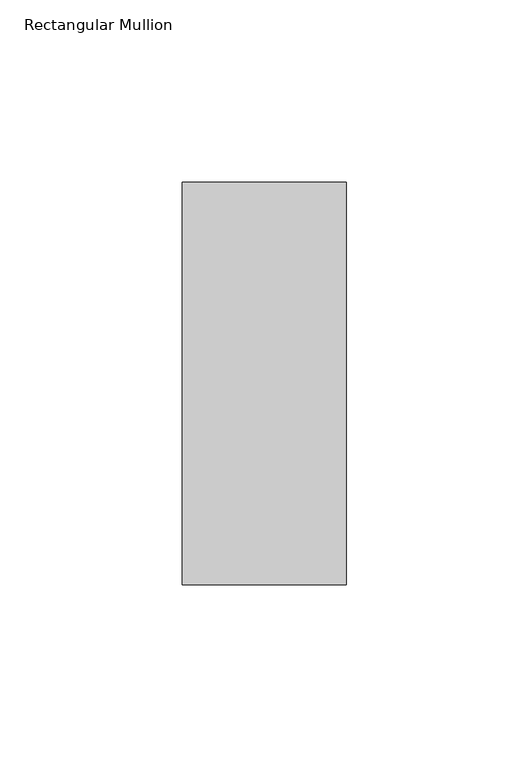
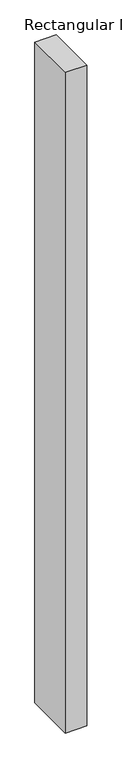
"""IFC4 building model written with IfcOpenShell, lengths in millimetres: member geometry, Rectangular Mullion."""

import ifcopenshell
import ifcopenshell.guid

model = None  # the IFC model being written
_history = None  # IfcOwnerHistory: only IFC2X3 demands one
_inside = {}  # id of a spatial element -> (the spatial element, [elements in it])
_under = {}  # id of a project, library or spatial element -> (it, [spatial elements below it])
_declared = {}  # id of a project -> (the project, [libraries it declares])
_typed = {}  # id of a type object -> (the type object, [elements of that type])
_made_of = {}  # id of a material, layer set ... -> (it, [elements and type objects made of it])


def new_model(schema):
    """Start an empty IFC model of exactly this schema.

    Asked for "IFC4X3", IfcOpenShell would pick the latest addendum, in which some entities
    have other attributes; the version numbers below select the first issue.
    IFC2X3 requires an IfcOwnerHistory on every rooted entity: one is made here for all.
    """
    global model, _history
    if schema == "IFC4X3":
        model = ifcopenshell.file(schema_version=(4, 3, 0, 0))
    else:
        model = ifcopenshell.file(schema=schema)
    _inside.clear()
    _under.clear()
    _declared.clear()
    _typed.clear()
    _made_of.clear()
    _history = None
    if model.schema == "IFC2X3":
        org = make("IfcOrganization", Name="unknown")
        user = make(
            "IfcPersonAndOrganization",
            ThePerson=make("IfcPerson", FamilyName="unknown"),
            TheOrganization=org,
        )
        app = make(
            "IfcApplication",
            ApplicationDeveloper=org,
            Version="unknown",
            ApplicationFullName="unknown",
            ApplicationIdentifier="unknown",
        )
        _history = make(
            "IfcOwnerHistory",
            OwningUser=user,
            OwningApplication=app,
            ChangeAction="ADDED",
            CreationDate=0,
        )
    return model


def make(cls, **values):
    """One entity of the class cls with the attributes given. An attribute that is None is left unset."""
    return model.create_entity(
        cls, **{name: value for name, value in values.items() if value is not None}
    )


def rooted(cls, **values):
    """An entity with a GlobalId (a new one), such as an element, a storey or a relation."""
    return make(cls, GlobalId=ifcopenshell.guid.new(), OwnerHistory=_history, **values)


def si_unit(unit_type, name, prefix=None):
    """IfcSIUnit, for example si_unit("LENGTHUNIT", "METRE", prefix="MILLI")."""
    return make("IfcSIUnit", UnitType=unit_type, Prefix=prefix, Name=name)


def assignment(units):
    """IfcUnitAssignment: the units of a project."""
    return None if units is None else make("IfcUnitAssignment", Units=units)


def point(xyz):
    """IfcCartesianPoint."""
    return None if xyz is None else make("IfcCartesianPoint", Coordinates=xyz)


def direction(xyz):
    """IfcDirection."""
    return None if xyz is None else make("IfcDirection", DirectionRatios=xyz)


def frame(location, z_axis=None, x_axis=None):
    """IfcAxis2Placement3D, a coordinate frame: its origin and axes. An axis left out is left unset."""
    return make(
        "IfcAxis2Placement3D",
        Location=point(location),
        Axis=direction(z_axis),
        RefDirection=direction(x_axis),
    )


def origin():
    """The frame at (0, 0, 0) with its axes left unset."""
    return frame((0.0, 0.0, 0.0))


def place(relative_to, where):
    """IfcLocalPlacement: puts the frame where relative to a parent placement (None: the world)."""
    return make(
        "IfcLocalPlacement", PlacementRelTo=relative_to, RelativePlacement=where
    )


def context(
    kind, dimensions, precision=None, world=None, true_north=None, identifier=None
):
    """IfcGeometricRepresentationContext, for example the 3D "Model" context."""
    return make(
        "IfcGeometricRepresentationContext",
        ContextIdentifier=identifier,
        ContextType=kind,
        CoordinateSpaceDimension=dimensions,
        Precision=precision,
        WorldCoordinateSystem=world,
        TrueNorth=true_north,
    )


def project(units=None, contexts=None):
    """IfcProject with its units and contexts."""
    return rooted(
        "IfcProject",
        Name="project",
        RepresentationContexts=contexts,
        UnitsInContext=assignment(units),
    )


def spatial(cls, under=None, at=None, **own):
    """A site, building, storey or space (cls), placed at a placement, below another one or the project."""
    s = rooted(cls, ObjectPlacement=at, **own)
    if under is not None:
        _under.setdefault(under.id(), (under, []))[1].append(s)
    return s


def polyline(points):
    """IfcPolyline through the points."""
    return make("IfcPolyline", Points=[point(p) for p in points])


def outline(outer, holes=None, kind="AREA"):
    """IfcArbitraryClosedProfileDef: a profile drawn as a closed curve; with holes, ...WithVoids."""
    if holes is None:
        return make("IfcArbitraryClosedProfileDef", ProfileType=kind, OuterCurve=outer)
    return make(
        "IfcArbitraryProfileDefWithVoids",
        ProfileType=kind,
        OuterCurve=outer,
        InnerCurves=holes,
    )


def extrude(swept, where, along, depth):
    """IfcExtrudedAreaSolid: the profile swept, set in the frame where, extruded along a direction by depth."""
    return make(
        "IfcExtrudedAreaSolid",
        SweptArea=swept,
        Position=where,
        ExtrudedDirection=direction(along),
        Depth=depth,
    )


def shape(context_of_items, identifier, shape_type, items):
    """IfcShapeRepresentation: the items that make up one representation, for example the "Body"."""
    return make(
        "IfcShapeRepresentation",
        ContextOfItems=context_of_items,
        RepresentationIdentifier=identifier,
        RepresentationType=shape_type,
        Items=items,
    )


def source(mapping_origin, context_of_items, identifier, shape_type, items):
    """IfcRepresentationMap: a shape defined once, which mapped items show again and again."""
    return make(
        "IfcRepresentationMap",
        MappingOrigin=mapping_origin,
        MappedRepresentation=shape(context_of_items, identifier, shape_type, items),
    )


def transform(
    local_origin,
    x_axis=None,
    y_axis=None,
    z_axis=None,
    scale=None,
    scale2=None,
    scale3=None,
    uniform=True,
):
    """IfcCartesianTransformationOperator3D, or its non-uniform kind. x_axis, y_axis, z_axis: its Axis1, 2, 3."""
    if uniform:
        return make(
            "IfcCartesianTransformationOperator3D",
            Axis1=direction(x_axis),
            Axis2=direction(y_axis),
            LocalOrigin=point(local_origin),
            Scale=scale,
            Axis3=direction(z_axis),
        )
    return make(
        "IfcCartesianTransformationOperator3DnonUniform",
        Axis1=direction(x_axis),
        Axis2=direction(y_axis),
        LocalOrigin=point(local_origin),
        Scale=scale,
        Axis3=direction(z_axis),
        Scale2=scale2,
        Scale3=scale3,
    )


def mapped(mapping_source, mapping_target):
    """IfcMappedItem: shows the shape of a source again, moved by a transform."""
    return make(
        "IfcMappedItem", MappingSource=mapping_source, MappingTarget=mapping_target
    )


def made_of(thing, what):
    """Note that an element or type object is made of a material, layer set ...; save() writes the relation."""
    if what is not None:
        _made_of.setdefault(what.id(), (what, []))[1].append(thing)
    return thing


def element(
    cls,
    number,
    at=None,
    inside=None,
    cuts=None,
    type_object=None,
    material=None,
    context=None,
    identifier="Body",
    shape_type=None,
    held_by="IfcProductDefinitionShape",
    body=None,
    shapes=None,
    **own,
):
    """One element of the class cls, such as IfcWall. Its Tag is "e" and its number.

    at: its placement. inside: the storey or other place that contains it. cuts: it is an
    opening in that element (IfcRelVoidsElement). A single representation is given by context,
    identifier, shape_type and body (its items); several are given by shapes. held_by: the class
    of the entity that holds the representations. save() writes the other relations.
    """
    e = rooted(cls, Tag="e%d" % number, ObjectPlacement=at, **own)
    if body is not None:
        shapes = [shape(context, identifier, shape_type, body)]
    if shapes is not None:
        e.Representation = make(held_by, Representations=shapes)
    if inside is not None:
        _inside.setdefault(inside.id(), (inside, []))[1].append(e)
    if cuts is not None:
        rooted(
            "IfcRelVoidsElement", RelatingBuildingElement=cuts, RelatedOpeningElement=e
        )
    if type_object is not None:
        _typed.setdefault(type_object.id(), (type_object, []))[1].append(e)
    return made_of(e, material)


def aggregate(whole, parts):
    """IfcRelAggregates: a whole, such as a stair, and the parts it consists of."""
    return rooted("IfcRelAggregates", RelatingObject=whole, RelatedObjects=parts)


def save(model, path):
    """Write the relations noted so far, then the file.

    IfcRelAggregates (storeys below a building ...), IfcRelContainedInSpatialStructure (elements
    in a storey), IfcRelDefinesByType, IfcRelAssociatesMaterial and IfcRelDeclares: one each for
    every whole, place, type object, material and project.
    """
    for whole, parts in _under.values():
        aggregate(whole, parts)
    for where, things in _inside.values():
        rooted(
            "IfcRelContainedInSpatialStructure",
            RelatedElements=things,
            RelatingStructure=where,
        )
    for kind, things in _typed.values():
        rooted("IfcRelDefinesByType", RelatedObjects=things, RelatingType=kind)
    for what, things in _made_of.values():
        rooted("IfcRelAssociatesMaterial", RelatedObjects=things, RelatingMaterial=what)
    for by, libraries in _declared.values():
        rooted("IfcRelDeclares", RelatingContext=by, RelatedDefinitions=libraries)
    model.write(path)


def rectangular_mullion_4bdea9ae(model_context):
    return source(origin(), model_context, "Body", "SweptSolid", [
        extrude(outline(polyline([(-45.0, 70.7), (0.0, 70.7), (0.0, -39.7), (-45.0, -39.7), (-45.0, 70.7)])), frame((0.0, 0.0, -1464.3589259), z_axis=(0.0, 0.0, 1.0), x_axis=(1.0, 0.0, 0.0)), (0.0, 0.0, 1.0), 1464.3589259),
    ])


if __name__ == "__main__":
    model = new_model("IFC4")
    model_context = context("Model", 3, world=origin())
    ifc_project = project(units=[si_unit("LENGTHUNIT", "METRE", prefix="MILLI")], contexts=[model_context])
    site = spatial("IfcSite", under=ifc_project)
    building = spatial("IfcBuilding", under=site)
    placement = place(None, origin())
    rectangular_mullion_shape = rectangular_mullion_4bdea9ae(model_context)
    element("IfcMember", 1, ObjectType="Rectangular Mullion", at=placement, inside=building, context=model_context, shape_type="MappedRepresentation", body=[
        mapped(rectangular_mullion_shape, transform((0.0, 0.0, 0.0), x_axis=(1.0, 0.0, 0.0), y_axis=(0.0, 1.0, 0.0), z_axis=(0.0, 0.0, 1.0))),
    ])
    save(model, "model.ifc")
